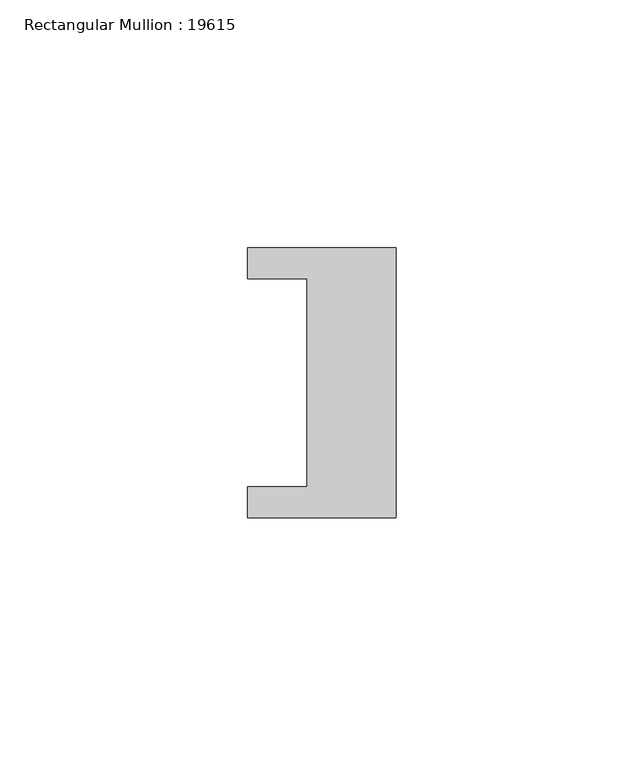
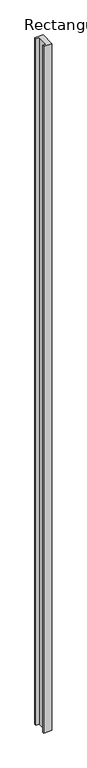
"""IFC4 building model written with IfcOpenShell, lengths in millimetres: member geometry, Rectangular Mullion : 19615."""

import ifcopenshell
import ifcopenshell.guid

model = None  # the IFC model being written
_history = None  # IfcOwnerHistory: only IFC2X3 demands one
_inside = {}  # id of a spatial element -> (the spatial element, [elements in it])
_under = {}  # id of a project, library or spatial element -> (it, [spatial elements below it])
_declared = {}  # id of a project -> (the project, [libraries it declares])
_typed = {}  # id of a type object -> (the type object, [elements of that type])
_made_of = {}  # id of a material, layer set ... -> (it, [elements and type objects made of it])


def new_model(schema):
    """Start an empty IFC model of exactly this schema.

    Asked for "IFC4X3", IfcOpenShell would pick the latest addendum, in which some entities
    have other attributes; the version numbers below select the first issue.
    IFC2X3 requires an IfcOwnerHistory on every rooted entity: one is made here for all.
    """
    global model, _history
    if schema == "IFC4X3":
        model = ifcopenshell.file(schema_version=(4, 3, 0, 0))
    else:
        model = ifcopenshell.file(schema=schema)
    _inside.clear()
    _under.clear()
    _declared.clear()
    _typed.clear()
    _made_of.clear()
    _history = None
    if model.schema == "IFC2X3":
        org = make("IfcOrganization", Name="unknown")
        user = make(
            "IfcPersonAndOrganization",
            ThePerson=make("IfcPerson", FamilyName="unknown"),
            TheOrganization=org,
        )
        app = make(
            "IfcApplication",
            ApplicationDeveloper=org,
            Version="unknown",
            ApplicationFullName="unknown",
            ApplicationIdentifier="unknown",
        )
        _history = make(
            "IfcOwnerHistory",
            OwningUser=user,
            OwningApplication=app,
            ChangeAction="ADDED",
            CreationDate=0,
        )
    return model


def make(cls, **values):
    """One entity of the class cls with the attributes given. An attribute that is None is left unset."""
    return model.create_entity(
        cls, **{name: value for name, value in values.items() if value is not None}
    )


def rooted(cls, **values):
    """An entity with a GlobalId (a new one), such as an element, a storey or a relation."""
    return make(cls, GlobalId=ifcopenshell.guid.new(), OwnerHistory=_history, **values)


def si_unit(unit_type, name, prefix=None):
    """IfcSIUnit, for example si_unit("LENGTHUNIT", "METRE", prefix="MILLI")."""
    return make("IfcSIUnit", UnitType=unit_type, Prefix=prefix, Name=name)


def assignment(units):
    """IfcUnitAssignment: the units of a project."""
    return None if units is None else make("IfcUnitAssignment", Units=units)


def point(xyz):
    """IfcCartesianPoint."""
    return None if xyz is None else make("IfcCartesianPoint", Coordinates=xyz)


def direction(xyz):
    """IfcDirection."""
    return None if xyz is None else make("IfcDirection", DirectionRatios=xyz)


def frame(location, z_axis=None, x_axis=None):
    """IfcAxis2Placement3D, a coordinate frame: its origin and axes. An axis left out is left unset."""
    return make(
        "IfcAxis2Placement3D",
        Location=point(location),
        Axis=direction(z_axis),
        RefDirection=direction(x_axis),
    )


def origin():
    """The frame at (0, 0, 0) with its axes left unset."""
    return frame((0.0, 0.0, 0.0))


def place(relative_to, where):
    """IfcLocalPlacement: puts the frame where relative to a parent placement (None: the world)."""
    return make(
        "IfcLocalPlacement", PlacementRelTo=relative_to, RelativePlacement=where
    )


def context(
    kind, dimensions, precision=None, world=None, true_north=None, identifier=None
):
    """IfcGeometricRepresentationContext, for example the 3D "Model" context."""
    return make(
        "IfcGeometricRepresentationContext",
        ContextIdentifier=identifier,
        ContextType=kind,
        CoordinateSpaceDimension=dimensions,
        Precision=precision,
        WorldCoordinateSystem=world,
        TrueNorth=true_north,
    )


def project(units=None, contexts=None):
    """IfcProject with its units and contexts."""
    return rooted(
        "IfcProject",
        Name="project",
        RepresentationContexts=contexts,
        UnitsInContext=assignment(units),
    )


def spatial(cls, under=None, at=None, **own):
    """A site, building, storey or space (cls), placed at a placement, below another one or the project."""
    s = rooted(cls, ObjectPlacement=at, **own)
    if under is not None:
        _under.setdefault(under.id(), (under, []))[1].append(s)
    return s


def polyline(points):
    """IfcPolyline through the points."""
    return make("IfcPolyline", Points=[point(p) for p in points])


def outline(outer, holes=None, kind="AREA"):
    """IfcArbitraryClosedProfileDef: a profile drawn as a closed curve; with holes, ...WithVoids."""
    if holes is None:
        return make("IfcArbitraryClosedProfileDef", ProfileType=kind, OuterCurve=outer)
    return make(
        "IfcArbitraryProfileDefWithVoids",
        ProfileType=kind,
        OuterCurve=outer,
        InnerCurves=holes,
    )


def extrude(swept, where, along, depth):
    """IfcExtrudedAreaSolid: the profile swept, set in the frame where, extruded along a direction by depth."""
    return make(
        "IfcExtrudedAreaSolid",
        SweptArea=swept,
        Position=where,
        ExtrudedDirection=direction(along),
        Depth=depth,
    )


def shape(context_of_items, identifier, shape_type, items):
    """IfcShapeRepresentation: the items that make up one representation, for example the "Body"."""
    return make(
        "IfcShapeRepresentation",
        ContextOfItems=context_of_items,
        RepresentationIdentifier=identifier,
        RepresentationType=shape_type,
        Items=items,
    )


def source(mapping_origin, context_of_items, identifier, shape_type, items):
    """IfcRepresentationMap: a shape defined once, which mapped items show again and again."""
    return make(
        "IfcRepresentationMap",
        MappingOrigin=mapping_origin,
        MappedRepresentation=shape(context_of_items, identifier, shape_type, items),
    )


def transform(
    local_origin,
    x_axis=None,
    y_axis=None,
    z_axis=None,
    scale=None,
    scale2=None,
    scale3=None,
    uniform=True,
):
    """IfcCartesianTransformationOperator3D, or its non-uniform kind. x_axis, y_axis, z_axis: its Axis1, 2, 3."""
    if uniform:
        return make(
            "IfcCartesianTransformationOperator3D",
            Axis1=direction(x_axis),
            Axis2=direction(y_axis),
            LocalOrigin=point(local_origin),
            Scale=scale,
            Axis3=direction(z_axis),
        )
    return make(
        "IfcCartesianTransformationOperator3DnonUniform",
        Axis1=direction(x_axis),
        Axis2=direction(y_axis),
        LocalOrigin=point(local_origin),
        Scale=scale,
        Axis3=direction(z_axis),
        Scale2=scale2,
        Scale3=scale3,
    )


def mapped(mapping_source, mapping_target):
    """IfcMappedItem: shows the shape of a source again, moved by a transform."""
    return make(
        "IfcMappedItem", MappingSource=mapping_source, MappingTarget=mapping_target
    )


def made_of(thing, what):
    """Note that an element or type object is made of a material, layer set ...; save() writes the relation."""
    if what is not None:
        _made_of.setdefault(what.id(), (what, []))[1].append(thing)
    return thing


def element(
    cls,
    number,
    at=None,
    inside=None,
    cuts=None,
    type_object=None,
    material=None,
    context=None,
    identifier="Body",
    shape_type=None,
    held_by="IfcProductDefinitionShape",
    body=None,
    shapes=None,
    **own,
):
    """One element of the class cls, such as IfcWall. Its Tag is "e" and its number.

    at: its placement. inside: the storey or other place that contains it. cuts: it is an
    opening in that element (IfcRelVoidsElement). A single representation is given by context,
    identifier, shape_type and body (its items); several are given by shapes. held_by: the class
    of the entity that holds the representations. save() writes the other relations.
    """
    e = rooted(cls, Tag="e%d" % number, ObjectPlacement=at, **own)
    if body is not None:
        shapes = [shape(context, identifier, shape_type, body)]
    if shapes is not None:
        e.Representation = make(held_by, Representations=shapes)
    if inside is not None:
        _inside.setdefault(inside.id(), (inside, []))[1].append(e)
    if cuts is not None:
        rooted(
            "IfcRelVoidsElement", RelatingBuildingElement=cuts, RelatedOpeningElement=e
        )
    if type_object is not None:
        _typed.setdefault(type_object.id(), (type_object, []))[1].append(e)
    return made_of(e, material)


def aggregate(whole, parts):
    """IfcRelAggregates: a whole, such as a stair, and the parts it consists of."""
    return rooted("IfcRelAggregates", RelatingObject=whole, RelatedObjects=parts)


def save(model, path):
    """Write the relations noted so far, then the file.

    IfcRelAggregates (storeys below a building ...), IfcRelContainedInSpatialStructure (elements
    in a storey), IfcRelDefinesByType, IfcRelAssociatesMaterial and IfcRelDeclares: one each for
    every whole, place, type object, material and project.
    """
    for whole, parts in _under.values():
        aggregate(whole, parts)
    for where, things in _inside.values():
        rooted(
            "IfcRelContainedInSpatialStructure",
            RelatedElements=things,
            RelatingStructure=where,
        )
    for kind, things in _typed.values():
        rooted("IfcRelDefinesByType", RelatedObjects=things, RelatingType=kind)
    for what, things in _made_of.values():
        rooted("IfcRelAssociatesMaterial", RelatedObjects=things, RelatingMaterial=what)
    for by, libraries in _declared.values():
        rooted("IfcRelDeclares", RelatingContext=by, RelatedDefinitions=libraries)
    model.write(path)


def rectangular_mullion_19615_21e09bd3(model_context):
    return source(origin(), model_context, "Body", "SweptSolid", [
        extrude(outline(polyline([(0.0, 27.25), (0.0, -27.25), (-30.0, -27.25), (-30.0, -21.0), (-18.0, -21.0), (-18.0, 21.0), (-30.0, 21.0), (-30.0, 27.25), (0.0, 27.25)])), frame((0.0, 0.0, -2616.0), z_axis=(0.0, 0.0, 1.0), x_axis=(1.0, 0.0, 0.0)), (0.0, 0.0, 1.0), 2616.0),
    ])


if __name__ == "__main__":
    model = new_model("IFC4")
    model_context = context("Model", 3, world=origin())
    ifc_project = project(units=[si_unit("LENGTHUNIT", "METRE", prefix="MILLI")], contexts=[model_context])
    site = spatial("IfcSite", under=ifc_project)
    building = spatial("IfcBuilding", under=site)
    placement = place(None, origin())
    rectangular_mullion_19615_shape = rectangular_mullion_19615_21e09bd3(model_context)
    element("IfcMember", 1, ObjectType="Rectangular Mullion : 19615", at=placement, inside=building, context=model_context, shape_type="MappedRepresentation", body=[
        mapped(rectangular_mullion_19615_shape, transform((0.0, 0.0, 0.0), x_axis=(1.0, 0.0, 0.0), y_axis=(0.0, 1.0, 0.0), z_axis=(0.0, 0.0, 1.0))),
    ])
    save(model, "model.ifc")
